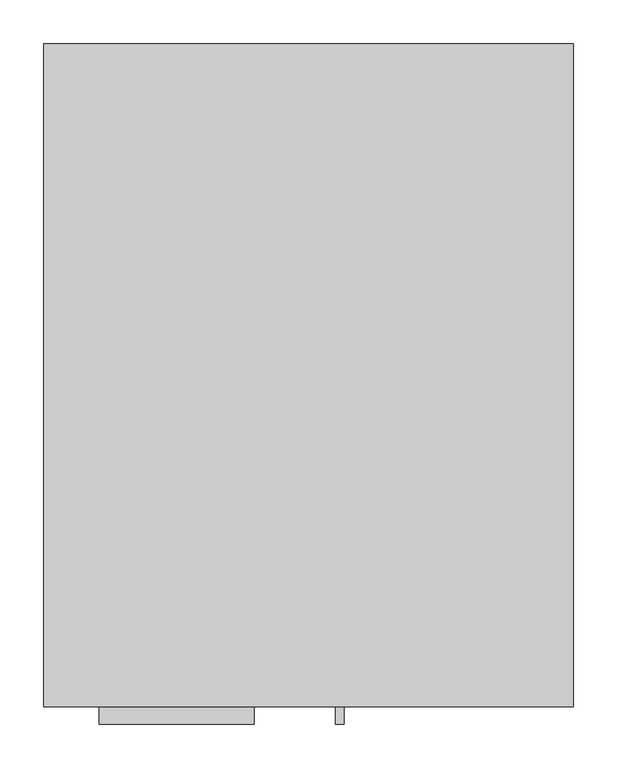
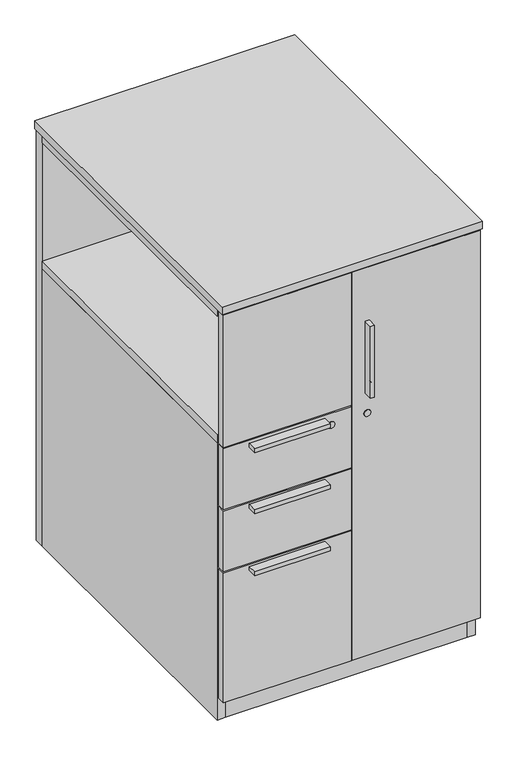
"""IFC4 building model written with IfcOpenShell, lengths in millimetres: furniture geometry."""

from ifc_helpers import new_model, si_unit, point, frame, frame_2d, origin, origin_with_axes, place, context, project, spatial, polyline, circle_curve, trimmed, segment, composite_curve, outline, extrude, source, transform, mapped, element, save
from ifc_brep_helpers import plane_surface, revolved_surface, advanced_brep


def furniture_bb5ec401(model_context):
    return source(origin(), model_context, "Body", "SolidModel", [
        extrude(outline(polyline([(-281.0603578, -267.0175), (-265.1125, -257.81), (-249.1646422, -267.0175), (-249.1646422, -285.4325), (-265.1125, -294.64), (-281.0603578, -285.4325), (-281.0603578, -267.0175)])), origin_with_axes(), (0.0, 0.0, 1.0), 9.144),
        extrude(outline(polyline([(249.1646422, -267.0175), (265.1125, -257.81), (281.0603578, -267.0175), (281.0603578, -285.4325), (265.1125, -294.64), (249.1646422, -285.4325), (249.1646422, -267.0175)])), origin_with_axes(), (0.0, 0.0, 1.0), 9.144),
        extrude(outline(polyline([(249.1646422, 406.0904375), (265.1125, 415.2979375), (281.0603578, 406.0904375), (281.0603578, 387.6754375), (265.1125, 378.4679375), (249.1646422, 387.6754375), (249.1646422, 406.0904375)])), origin_with_axes(), (0.0, 0.0, 1.0), 9.144),
        extrude(outline(polyline([(-281.0603578, 406.0904375), (-265.1125, 415.2979375), (-249.1646422, 406.0904375), (-249.1646422, 387.6754375), (-265.1125, 378.4679375), (-281.0603578, 387.6754375), (-281.0603578, 406.0904375)])), origin_with_axes(), (0.0, 0.0, 1.0), 9.144),
        advanced_brep(
        [(31.115, -345.8130625, 890.8542), (31.115, -345.8130625, 713.0542), (40.64, -345.8130625, 713.0542), (40.64, -345.8130625, 890.8542), (31.115, -323.5880625, 890.8542), (40.64, -323.5880625, 890.8542), (40.64, -323.5880625, 858.9025611), (35.8775, -323.5880625, 852.7542), (35.8775, -323.5880625, 751.1542), (40.64, -323.5880625, 745.0058389), (40.64, -323.5880625, 713.0542), (31.115, -323.5880625, 713.0542), (40.64, -339.5250593, 745.0058389), (40.64, -339.5250593, 858.9025611), (35.8775, -339.5250593, 751.1542), (35.8775, -339.5250593, 852.7542)],
        [
            (0, 1),
            (1, 2),
            (2, 3),
            (3, 0),
            (4, 5),
            (5, 6),
            (6, 7, circle_curve(frame((42.2275, -323.5880625, 852.7542), z_axis=(0.0, -1.0, 0.0), x_axis=(1.0, 0.0, 0.0)), 6.35)),
            (7, 8),
            (8, 9, circle_curve(frame((42.2275, -323.5880625, 751.1542), z_axis=(0.0, -1.0, 0.0), x_axis=(1.0, 0.0, 0.0)), 6.35)),
            (9, 10),
            (10, 11),
            (11, 4),
            (0, 4),
            (11, 1),
            (10, 2),
            (9, 12),
            (12, 13),
            (13, 6),
            (5, 3),
            (14, 15),
            (15, 13, circle_curve(frame((42.2275, -339.5250593, 852.7542), z_axis=(0.0, 1.0, 0.0), x_axis=(1.0, 0.0, 0.0)), 6.35)),
            (12, 14, circle_curve(frame((42.2275, -339.5250593, 751.1542), z_axis=(0.0, 1.0, 0.0), x_axis=(1.0, 0.0, 0.0)), 6.35)),
            (14, 8),
            (7, 15),
        ],
        [
            plane_surface(frame((31.115, -345.8130625, 713.0542), z_axis=(0.0, -1.0, 0.0), x_axis=(0.0, 0.0, -1.0))),
            plane_surface(frame((31.115, -323.5880625, 713.0542), z_axis=(0.0, 1.0, 0.0), x_axis=(0.0, 0.0, 1.0))),
            plane_surface(frame((31.115, -345.8130625, 890.8542), z_axis=(-1.0, 0.0, 0.0), x_axis=(0.0, 1.0, 0.0))),
            plane_surface(frame((31.115, -345.8130625, 713.0542), z_axis=(0.0, 0.0, -1.0), x_axis=(0.0, 1.0, 0.0))),
            plane_surface(frame((40.64, -345.8130625, 713.0542), z_axis=(1.0, 0.0, 0.0), x_axis=(0.0, 1.0, 0.0))),
            plane_surface(frame((40.64, -345.8130625, 890.8542), z_axis=(0.0, 0.0, 1.0), x_axis=(0.0, 1.0, 0.0))),
            plane_surface(frame((42.2275, -339.5250593, 859.1042), z_axis=(0.0, 1.0, 0.0), x_axis=(-1.0, 0.0, 0.0))),
            plane_surface(frame((35.8775, -339.5250593, 852.7542), z_axis=(1.0, 0.0, 0.0), x_axis=(0.0, 1.0, 0.0))),
            revolved_surface(polyline([(48.5775, -339.5250593, 852.7542), (48.5775, -323.5880625, 852.7542)]), (42.2275, -323.5880625, 852.7542), (0.0, -1.0, 0.0)),
            revolved_surface(polyline([(48.5775, -339.5250593, 751.1542), (48.5775, -323.5880625, 751.1542)]), (42.2275, -323.5880625, 751.1542), (0.0, -1.0, 0.0)),
        ],
        [
            (0, [[1, 2, 3, 4]]),
            (1, [[5, 6, 7, 8, 9, 10, 11, 12]]),
            (2, [[-1, 13, -12, 14]]),
            (3, [[-2, -14, -11, 15]]),
            (4, [[-3, -15, -10, 16, 17, 18, -6, 19]]),
            (5, [[-4, -19, -5, -13]]),
            (6, [[20, 21, -17, 22]]),
            (7, [[-20, 23, -8, 24]]),
            (8, [[-24, -7, -18, -21]]),
            (9, [[-23, -22, -16, -9]]),
        ],
    ),
        extrude(outline(polyline([(-62.70625, -345.8130625), (-240.50625, -345.8130625), (-240.50625, -323.5880625), (-62.70625, -323.5880625), (-62.70625, -345.8130625)])), frame((0.0, 0.0, 367.8682), z_axis=(0.0, 0.0, 1.0), x_axis=(1.0, 0.0, 0.0)), (0.0, 0.0, 1.0), 9.525),
        extrude(outline(polyline([(-62.70625, -345.8130625), (-240.50625, -345.8130625), (-240.50625, -323.5880625), (-62.70625, -323.5880625), (-62.70625, -345.8130625)])), frame((0.0, 0.0, 522.0716), z_axis=(0.0, 0.0, 1.0), x_axis=(1.0, 0.0, 0.0)), (0.0, 0.0, 1.0), 9.525),
        extrude(outline(polyline([(-62.70625, -345.8130625), (-240.50625, -345.8130625), (-240.50625, -323.5880625), (-62.70625, -323.5880625), (-62.70625, -345.8130625)])), frame((0.0, 0.0, 673.4302), z_axis=(0.0, 0.0, 1.0), x_axis=(1.0, 0.0, 0.0)), (0.0, 0.0, 1.0), 9.525),
        extrude(outline(polyline([(283.9085, 409.5829375), (283.9085, -301.3630625), (-303.2125, -301.3630625), (-303.2125, 409.5829375), (283.9085, 409.5829375)])), frame((0.0, 0.0, 1006.5258), z_axis=(0.0, 0.0, 1.0), x_axis=(1.0, 0.0, 0.0)), (0.0, 0.0, 1.0), 19.304),
        extrude(outline(polyline([(0.0, -301.3630625), (-303.2125, -301.3630625), (-303.2125, 409.5829375), (0.0, 409.5829375), (0.0, -301.3630625)])), frame((0.0, 0.0, 693.674), z_axis=(0.0, 0.0, 1.0), x_axis=(1.0, 0.0, 0.0)), (0.0, 0.0, 1.0), 19.05),
        extrude(outline(polyline([(19.05, -301.3630625), (0.0, -301.3630625), (0.0, 409.5829375), (19.05, 409.5829375), (19.05, -301.3630625)])), frame((0.0, 0.0, 79.3242), z_axis=(0.0, 0.0, 1.0), x_axis=(1.0, 0.0, 0.0)), (0.0, 0.0, 1.0), 943.3306),
        extrude(outline(polyline([(303.2125, -301.3630625), (283.9085, -301.3630625), (283.9085, 434.2209375), (303.2125, 434.2209375), (303.2125, -301.3630625)])), frame((0.0, 0.0, 4.699), z_axis=(0.0, 0.0, 1.0), x_axis=(1.0, 0.0, 0.0)), (0.0, 0.0, 1.0), 1021.1308),
        extrude(outline(polyline([(283.9085, 409.5829375), (283.9085, -301.3630625), (-283.9085, -301.3630625), (-283.9085, 409.5829375), (283.9085, 409.5829375)])), frame((0.0, 0.0, 60.2742), z_axis=(0.0, 0.0, 1.0), x_axis=(1.0, 0.0, 0.0)), (0.0, 0.0, 1.0), 19.05),
        extrude(outline(polyline([(-1.5875, -323.5880625), (-301.625, -323.5880625), (-301.625, -304.5380625), (-1.5875, -304.5380625), (-1.5875, -323.5880625)])), frame((0.0, 0.0, 693.674), z_axis=(0.0, 0.0, 1.0), x_axis=(1.0, 0.0, 0.0)), (0.0, 0.0, 1.0), 328.9808),
        extrude(outline(polyline([(-1.5875, -323.5880625), (-301.625, -323.5880625), (-301.625, -304.5380625), (-1.5875, -304.5380625), (-1.5875, -323.5880625)])), frame((0.0, 0.0, 539.4706), z_axis=(0.0, 0.0, 1.0), x_axis=(1.0, 0.0, 0.0)), (0.0, 0.0, 1.0), 151.0284),
        extrude(outline(polyline([(-1.5875, -323.5880625), (-301.625, -323.5880625), (-301.625, -304.5380625), (-1.5875, -304.5380625), (-1.5875, -323.5880625)])), frame((0.0, 0.0, 385.2672), z_axis=(0.0, 0.0, 1.0), x_axis=(1.0, 0.0, 0.0)), (0.0, 0.0, 1.0), 151.0284),
        extrude(outline(polyline([(-1.5875, -323.5880625), (-301.625, -323.5880625), (-301.625, -304.5380625), (-1.5875, -304.5380625), (-1.5875, -323.5880625)])), frame((0.0, 0.0, 60.26658), z_axis=(0.0, 0.0, 1.0), x_axis=(1.0, 0.0, 0.0)), (0.0, 0.0, 1.0), 321.82562),
        extrude(outline(polyline([(301.625, -323.5880625), (1.5875, -323.5880625), (1.5875, -304.5380625), (301.625, -304.5380625), (301.625, -323.5880625)])), frame((0.0, 0.0, 60.26658), z_axis=(0.0, 0.0, 1.0), x_axis=(1.0, 0.0, 0.0)), (0.0, 0.0, 1.0), 962.38822),
        extrude(outline(polyline([(-283.9085, -301.3630625), (-303.2125, -301.3630625), (-303.2125, 409.5829375), (-283.9085, 409.5829375), (-283.9085, -301.3630625)])), frame((0.0, 0.0, 4.699), z_axis=(0.0, 0.0, 1.0), x_axis=(1.0, 0.0, 0.0)), (0.0, 0.0, 1.0), 688.975),
        extrude(outline(polyline([(283.9085, -301.3630625), (-283.9085, -301.3630625), (-283.9085, 409.5829375), (283.9085, 409.5829375), (283.9085, -301.3630625)])), frame((0.0, 0.0, 4.699), z_axis=(0.0, 0.0, 1.0), x_axis=(1.0, 0.0, 0.0)), (0.0, 0.0, 1.0), 55.5752),
        extrude(outline(polyline([(283.9085, 434.2209375), (283.9085, 409.5829375), (-303.2125, 409.5829375), (-303.2125, 434.2209375), (283.9085, 434.2209375)])), frame((0.0, 0.0, 4.699), z_axis=(0.0, 0.0, 1.0), x_axis=(1.0, 0.0, 0.0)), (0.0, 0.0, 1.0), 1021.1308),
        extrude(outline(polyline([(304.8, 436.5704375), (304.8, -325.4295625), (-304.8, -325.4295625), (-304.8, 436.5704375), (304.8, 436.5704375)])), frame((0.0, 0.0, 1025.8298), z_axis=(0.0, 0.0, 1.0), x_axis=(1.0, 0.0, 0.0)), (0.0, 0.0, 1.0), 19.05),
        extrude(outline(composite_curve([segment(trimmed(circle_curve(frame_2d((662.2542, -48.7172)), 8.001), [point((662.2542, -56.7182))], [point((662.2542, -40.7162))], False, "CARTESIAN"), True, "CONTINUOUS"), segment(trimmed(circle_curve(frame_2d((662.2542, -48.7172)), 8.001), [point((662.2542, -40.7162))], [point((662.2542, -56.7182))], False, "CARTESIAN"), True, "CONTINUOUS")], self_intersect=False)), frame((0.0, -325.1755625, 0.0), z_axis=(0.0, 1.0, 0.0), x_axis=(0.0, 0.0, 1.0)), (0.0, 0.0, 1.0), 1.5875),
        extrude(outline(composite_curve([segment(trimmed(circle_curve(frame_2d((662.2542, 35.8775)), 8.001), [point((662.2542, 27.8765))], [point((662.2542, 43.8785))], False, "CARTESIAN"), True, "CONTINUOUS"), segment(trimmed(circle_curve(frame_2d((662.2542, 35.8775)), 8.001), [point((662.2542, 43.8785))], [point((662.2542, 27.8765))], False, "CARTESIAN"), True, "CONTINUOUS")], self_intersect=False)), frame((0.0, -325.1755625, 0.0), z_axis=(0.0, 1.0, 0.0), x_axis=(0.0, 0.0, 1.0)), (0.0, 0.0, 1.0), 1.5875),
    ])


if __name__ == "__main__":
    model = new_model("IFC4")
    model_context = context("Model", 3, world=origin())
    ifc_project = project(units=[si_unit("LENGTHUNIT", "METRE", prefix="MILLI")], contexts=[model_context])
    site = spatial("IfcSite", under=ifc_project)
    building = spatial("IfcBuilding", under=site)
    placement = place(None, origin())
    furniture_shape = furniture_bb5ec401(model_context)
    element("IfcFurniture", 1, at=placement, inside=building, context=model_context, shape_type="MappedRepresentation", body=[
        mapped(furniture_shape, transform((0.0, 0.0, 0.0), x_axis=(1.0, 0.0, 0.0), y_axis=(0.0, 1.0, 0.0), z_axis=(0.0, 0.0, 1.0))),
    ])
    save(model, "model.ifc")
